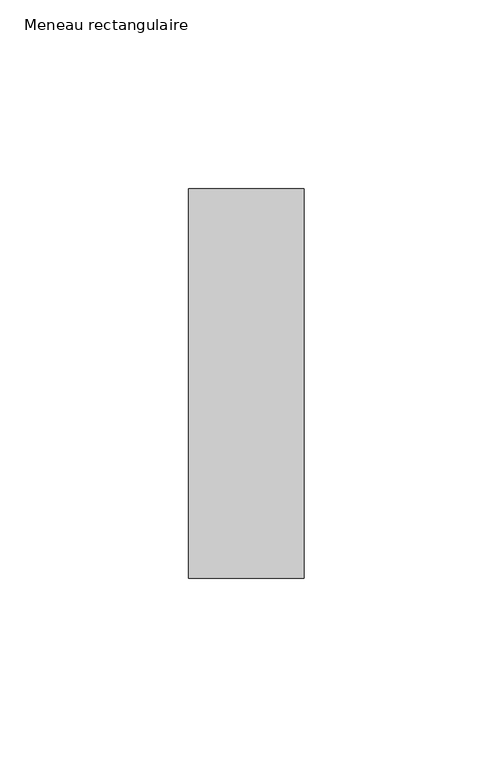
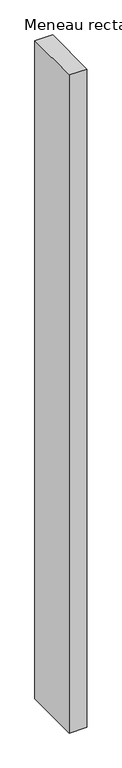
"""IFC4 building model written with IfcOpenShell, lengths in millimetres: member geometry, Meneau rectangulaire."""

from ifc_helpers import new_model, si_unit, frame, origin, place, context, project, spatial, polyline, outline, extrude, source, transform, mapped, element, save


def meneau_rectangulaire_b3dbfab8(model_context):
    return source(origin(), model_context, "Body", "SweptSolid", [
        extrude(outline(polyline([(-15.25, 51.5), (15.25, 51.5), (15.25, -51.5), (-15.25, -51.5), (-15.25, 51.5)])), frame((0.0, 0.0, -1204.8750002), z_axis=(0.0, 0.0, 1.0), x_axis=(1.0, 0.0, 0.0)), (0.0, 0.0, 1.0), 1204.8750002),
    ])


if __name__ == "__main__":
    model = new_model("IFC4")
    model_context = context("Model", 3, world=origin())
    ifc_project = project(units=[si_unit("LENGTHUNIT", "METRE", prefix="MILLI")], contexts=[model_context])
    site = spatial("IfcSite", under=ifc_project)
    building = spatial("IfcBuilding", under=site)
    placement = place(None, origin())
    meneau_rectangulaire_shape = meneau_rectangulaire_b3dbfab8(model_context)
    element("IfcMember", 1, ObjectType="Meneau rectangulaire", at=placement, inside=building, context=model_context, shape_type="MappedRepresentation", body=[
        mapped(meneau_rectangulaire_shape, transform((0.0, 0.0, 0.0), x_axis=(1.0, 0.0, 0.0), y_axis=(0.0, 1.0, 0.0), z_axis=(0.0, 0.0, 1.0))),
    ])
    save(model, "model.ifc")
